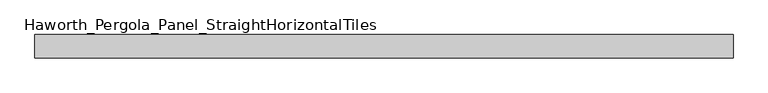
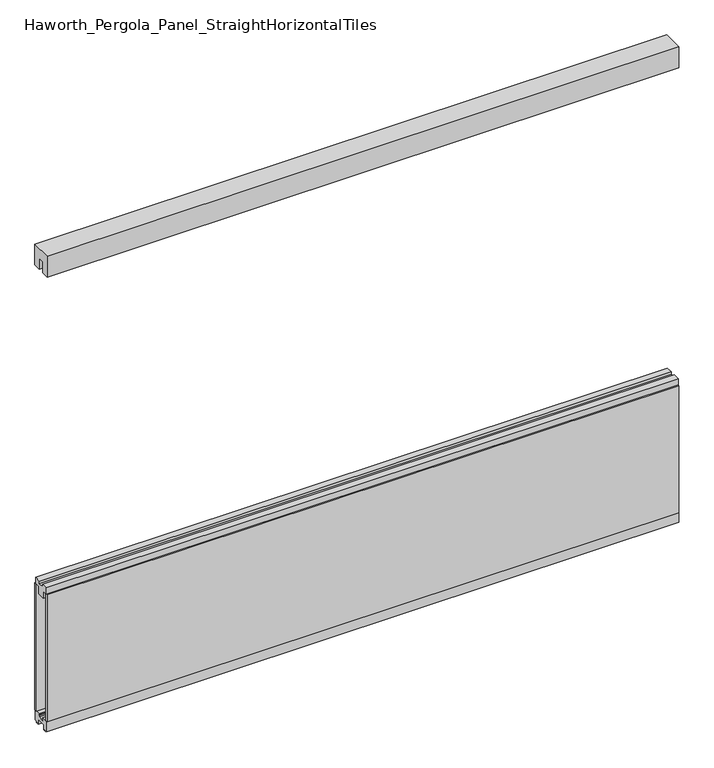
"""IFC4 building model written with IfcOpenShell, lengths in millimetres: furniture geometry, Haworth_Pergola_Panel_StraightHorizontalTiles."""

from ifc_helpers import new_model, si_unit, frame, origin, place, context, project, spatial, polyline, outline, extrude, source, transform, mapped, element, save


def haworth_pergola_panel_straighthorizontaltiles_9aac151c(model_context):
    return source(origin(), model_context, "Body", "SweptSolid", [
        extrude(outline(polyline([(12.7, 742.95), (44.45, 742.95), (44.45, 711.2), (19.05, 711.2), (19.05, 673.1), (-19.05, 673.1), (-19.05, 711.2), (-44.45, 711.2), (-44.45, 742.95), (-12.7, 742.95), (-12.7, 730.25), (12.7, 730.25), (12.7, 742.95)])), frame((-1485.9, 0.0, 0.0), z_axis=(1.0, 0.0, 0.0), x_axis=(0.0, 1.0, 0.0)), (0.0, 0.0, 1.0), 3048.0),
        extrude(outline(polyline([(-1485.9, 50.8), (1562.1, 50.8), (1562.1, 38.1), (-1485.9, 38.1), (-1485.9, 50.8)])), frame((0.0, 0.0, 63.5), z_axis=(0.0, 0.0, 1.0), x_axis=(1.0, 0.0, 0.0)), (0.0, 0.0, 1.0), 647.7),
        extrude(outline(polyline([(-1485.9, -38.1), (1562.1, -38.1), (1562.1, -50.8), (-1485.9, -50.8), (-1485.9, -38.1)])), frame((0.0, 0.0, 63.5), z_axis=(0.0, 0.0, 1.0), x_axis=(1.0, 0.0, 0.0)), (0.0, 0.0, 1.0), 647.7),
        extrude(outline(polyline([(-50.8, 2438.4), (50.8, 2438.4), (50.8, 2331.8390625), (15.2182948, 2331.8390625), (15.2182948, 2388.7001663), (-15.2182948, 2388.7001663), (-15.2182948, 2331.8390625), (-50.8, 2331.8390625), (-50.8, 2438.4)])), frame((-1485.9, 0.0, 0.0), z_axis=(1.0, 0.0, 0.0), x_axis=(0.0, 1.0, 0.0)), (0.0, 0.0, 1.0), 3048.0),
        extrude(outline(polyline([(-16.2000002, 63.5), (-16.5085717, 61.7499999), (-13.3999996, 61.7499999), (-13.3999996, 58.8973461), (-15.4000002, 59.2499999), (-15.4000002, 48.3500004), (15.4000003, 48.3500004), (15.4000003, 59.2499999), (13.3999997, 58.8973461), (13.3999997, 61.7499999), (16.5085718, 61.7499999), (16.2000003, 63.5), (50.0000004, 63.5), (50.0000004, 12.6999985), (40.9499987, 12.6999985), (38.9499981, 10.6999979), (28.9499999, 10.6999979), (28.9499999, 7.6999994), (38.9499981, 7.6999994), (38.9499981, 5.6999988), (23.7499993, 5.6999988), (23.7499993, 31.4500009), (-23.7499992, 31.4500009), (-23.7499992, 5.6999988), (-38.949998, 5.6999988), (-38.949998, 7.6999994), (-28.9499998, 7.6999994), (-28.9499998, 10.6999979), (-38.949998, 10.6999979), (-40.9499986, 12.6999985), (-50.0000003, 12.6999985), (-50.0000003, 63.5), (-16.2000002, 63.5)])), frame((-1485.9, 0.0, 0.0), z_axis=(1.0, 0.0, 0.0), x_axis=(0.0, 1.0, 0.0)), (0.0, 0.0, 1.0), 3048.0),
    ])


if __name__ == "__main__":
    model = new_model("IFC4")
    model_context = context("Model", 3, world=origin())
    ifc_project = project(units=[si_unit("LENGTHUNIT", "METRE", prefix="MILLI")], contexts=[model_context])
    site = spatial("IfcSite", under=ifc_project)
    building = spatial("IfcBuilding", under=site)
    placement = place(None, origin())
    haworth_pergola_panel_straighthorizontaltiles_shape = haworth_pergola_panel_straighthorizontaltiles_9aac151c(model_context)
    element("IfcFurniture", 1, ObjectType="Haworth_Pergola_Panel_StraightHorizontalTiles", at=placement, inside=building, context=model_context, shape_type="MappedRepresentation", body=[
        mapped(haworth_pergola_panel_straighthorizontaltiles_shape, transform((0.0, 0.0, 0.0), x_axis=(1.0, 0.0, 0.0), y_axis=(0.0, 1.0, 0.0), z_axis=(0.0, 0.0, 1.0))),
    ])
    save(model, "model.ifc")
